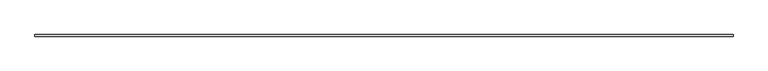
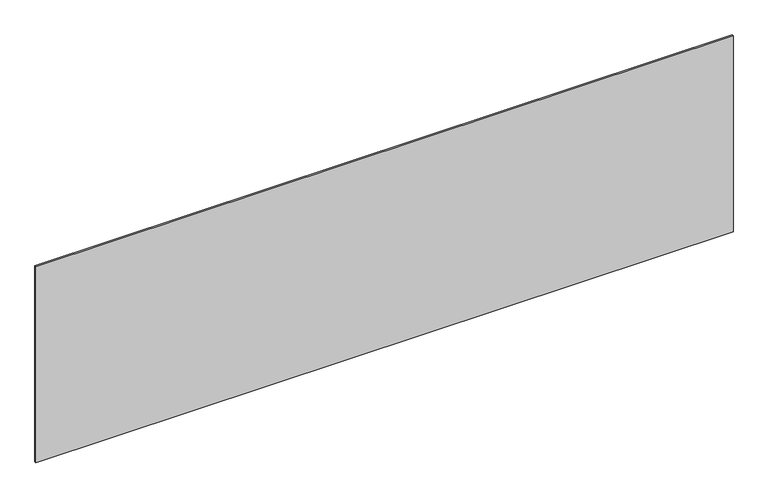
"""IFC4 building model written with IfcOpenShell, lengths in millimetres: plate geometry."""

from ifc_helpers import new_model, si_unit, origin, origin_with_axes, place, context, project, spatial, polyline, outline, extrude, source, transform, mapped, element, save


def plate_29d599ab(model_context):
    return source(origin(), model_context, "Body", "SweptSolid", [
        extrude(outline(polyline([(2189.1666667, -5.0), (-2189.1666667, -5.0), (-2189.1666667, 5.0), (2189.1666667, 5.0), (2189.1666667, -5.0)])), origin_with_axes(), (0.0, 0.0, 1.0), 1302.0081059),
    ])


if __name__ == "__main__":
    model = new_model("IFC4")
    model_context = context("Model", 3, world=origin())
    ifc_project = project(units=[si_unit("LENGTHUNIT", "METRE", prefix="MILLI")], contexts=[model_context])
    site = spatial("IfcSite", under=ifc_project)
    building = spatial("IfcBuilding", under=site)
    placement = place(None, origin())
    plate_shape = plate_29d599ab(model_context)
    element("IfcPlate", 1, at=placement, inside=building, context=model_context, shape_type="MappedRepresentation", body=[
        mapped(plate_shape, transform((0.0, 0.0, 0.0), x_axis=(1.0, 0.0, 0.0), y_axis=(0.0, 1.0, 0.0), z_axis=(0.0, 0.0, 1.0))),
    ])
    save(model, "model.ifc")
